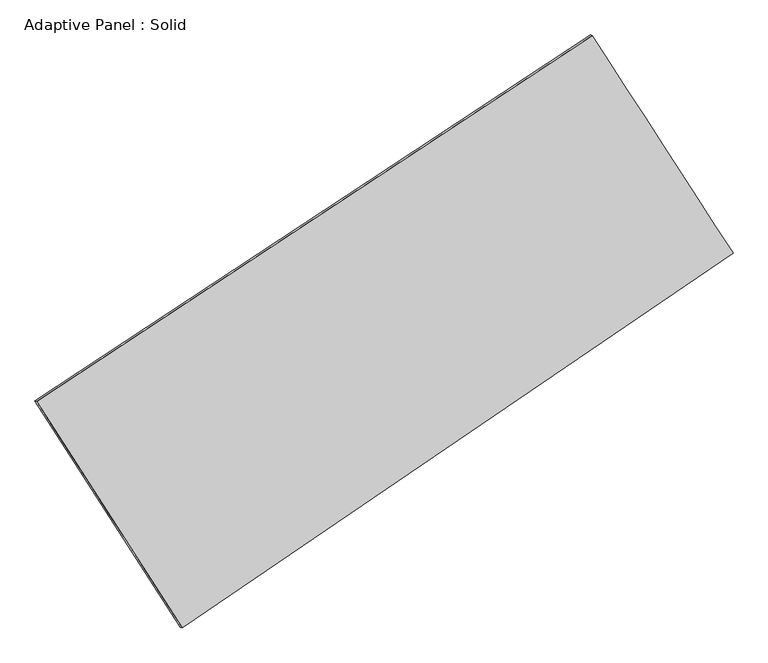
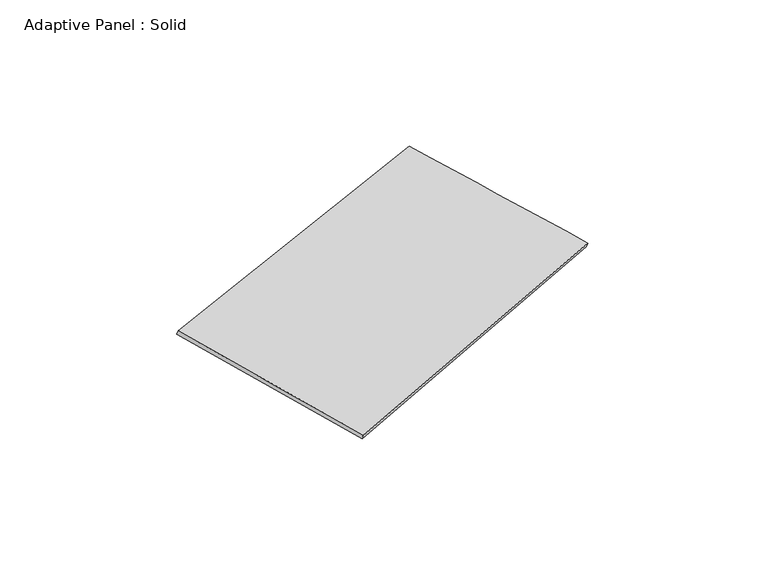
"""IFC4 building model written with IfcOpenShell, lengths in millimetres: plate geometry, Adaptive Panel : Solid."""

from ifc_helpers import new_model, si_unit, frame, origin, place, context, project, spatial, source, transform, mapped, element, save
from ifc_brep_helpers import plane_surface, spline_surface, advanced_brep


def adaptive_panel_solid_1609e8ce(model_context):
    return source(origin(), model_context, "Body", "AdvancedBrep", [
        advanced_brep(
        [(1142.7039536, 2457.6802699, 648.8513638), (-3689.3623062, -726.9600877, 1738.7198609), (-3674.6959504, -733.3401812, 1786.0927689), (1157.3703094, 2451.3001764, 696.2242718), (-2423.9989443, -2695.4839804, 1059.5405919), (-2409.3325885, -2701.8640739, 1106.9134999), (2367.3667188, 564.5152254, 38.0107036), (2382.0330746, 558.1351319, 85.3836117)],
        [
            (0, 1),
            (1, 2),
            (2, 3),
            (3, 0),
            (1, 4),
            (4, 5),
            (5, 2),
            (4, 6),
            (6, 7),
            (7, 5),
            (6, 0),
            (3, 7),
        ],
        [
            plane_surface(frame((-1273.3291763, 865.3600911, 1193.7856123), z_axis=(-0.4887645636639631, 0.8317239290914743, 0.2633334522673031), x_axis=(-0.820544291214247, -0.5407911076680924, 0.18507307752027755))),
            plane_surface(frame((-3056.6806253, -1711.222034, 1399.1302264), z_axis=(-0.8010139382042067, -0.5737892157229305, 0.1707120579298712), x_axis=(0.5192935006020146, -0.8078641234586437, -0.27872893330420995))),
            plane_surface(frame((-28.3161127, -1065.4843775, 548.7756478), z_axis=(0.5027347313544656, -0.8223682953798116, -0.26639852973328626), x_axis=(0.8142236474334534, 0.5539899541340952, -0.17359430485665805))),
            plane_surface(frame((1755.0353362, 1511.0977476, 343.4310337), z_axis=(0.8012434941985589, 0.573433174664826, -0.1708310779638864), x_axis=(-0.524251368924139, 0.8104225868417559, 0.2614875387430213))),
            spline_surface(1, 1, [[(-3674.6959504, -733.3401812, 1786.0927689), (1157.3703094, 2451.3001764, 696.2242718)], [(-2409.3325885, -2701.8640739, 1106.9134999), (2382.0330746, 558.1351319, 85.3836117)]], [2, 2], [2, 2], [0.0, 1.0], [0.0, 1.0]),
            spline_surface(1, 1, [[(2367.3667188, 564.5152254, 38.0107036), (1142.7039536, 2457.6802699, 648.8513638)], [(-2423.9989443, -2695.4839804, 1059.5405919), (-3689.3623062, -726.9600877, 1738.7198609)]], [2, 2], [2, 2], [0.0, 1.0], [0.0, 1.0]),
        ],
        [
            (0, [[1, 2, 3, 4]]),
            (1, [[5, 6, 7, -2]]),
            (2, [[8, 9, 10, -6]]),
            (3, [[11, -4, 12, -9]]),
            (4, [[-3, -7, -10, -12]]),
            (5, [[-11, -8, -5, -1]]),
        ],
    ),
    ])


if __name__ == "__main__":
    model = new_model("IFC4")
    model_context = context("Model", 3, world=origin())
    ifc_project = project(units=[si_unit("LENGTHUNIT", "METRE", prefix="MILLI")], contexts=[model_context])
    site = spatial("IfcSite", under=ifc_project)
    building = spatial("IfcBuilding", under=site)
    placement = place(None, origin())
    adaptive_panel_solid_shape = adaptive_panel_solid_1609e8ce(model_context)
    element("IfcPlate", 1, ObjectType="Adaptive Panel : Solid", at=placement, inside=building, context=model_context, shape_type="MappedRepresentation", body=[
        mapped(adaptive_panel_solid_shape, transform((0.0, 0.0, 0.0), x_axis=(1.0, 0.0, 0.0), y_axis=(0.0, 1.0, 0.0), z_axis=(0.0, 0.0, 1.0))),
    ])
    save(model, "model.ifc")
